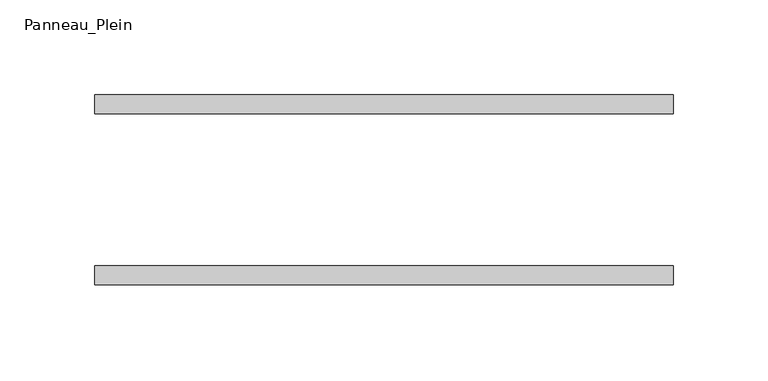
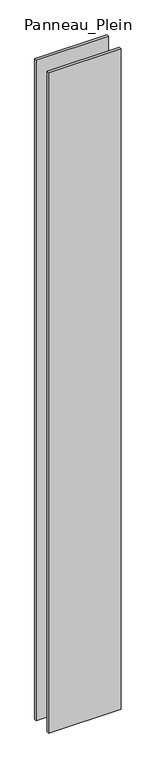
"""IFC4 building model written with IfcOpenShell, lengths in millimetres: plate geometry, Panneau_Plein."""

import ifcopenshell
import ifcopenshell.guid

model = None  # the IFC model being written
_history = None  # IfcOwnerHistory: only IFC2X3 demands one
_inside = {}  # id of a spatial element -> (the spatial element, [elements in it])
_under = {}  # id of a project, library or spatial element -> (it, [spatial elements below it])
_declared = {}  # id of a project -> (the project, [libraries it declares])
_typed = {}  # id of a type object -> (the type object, [elements of that type])
_made_of = {}  # id of a material, layer set ... -> (it, [elements and type objects made of it])


def new_model(schema):
    """Start an empty IFC model of exactly this schema.

    Asked for "IFC4X3", IfcOpenShell would pick the latest addendum, in which some entities
    have other attributes; the version numbers below select the first issue.
    IFC2X3 requires an IfcOwnerHistory on every rooted entity: one is made here for all.
    """
    global model, _history
    if schema == "IFC4X3":
        model = ifcopenshell.file(schema_version=(4, 3, 0, 0))
    else:
        model = ifcopenshell.file(schema=schema)
    _inside.clear()
    _under.clear()
    _declared.clear()
    _typed.clear()
    _made_of.clear()
    _history = None
    if model.schema == "IFC2X3":
        org = make("IfcOrganization", Name="unknown")
        user = make(
            "IfcPersonAndOrganization",
            ThePerson=make("IfcPerson", FamilyName="unknown"),
            TheOrganization=org,
        )
        app = make(
            "IfcApplication",
            ApplicationDeveloper=org,
            Version="unknown",
            ApplicationFullName="unknown",
            ApplicationIdentifier="unknown",
        )
        _history = make(
            "IfcOwnerHistory",
            OwningUser=user,
            OwningApplication=app,
            ChangeAction="ADDED",
            CreationDate=0,
        )
    return model


def make(cls, **values):
    """One entity of the class cls with the attributes given. An attribute that is None is left unset."""
    return model.create_entity(
        cls, **{name: value for name, value in values.items() if value is not None}
    )


def rooted(cls, **values):
    """An entity with a GlobalId (a new one), such as an element, a storey or a relation."""
    return make(cls, GlobalId=ifcopenshell.guid.new(), OwnerHistory=_history, **values)


def si_unit(unit_type, name, prefix=None):
    """IfcSIUnit, for example si_unit("LENGTHUNIT", "METRE", prefix="MILLI")."""
    return make("IfcSIUnit", UnitType=unit_type, Prefix=prefix, Name=name)


def assignment(units):
    """IfcUnitAssignment: the units of a project."""
    return None if units is None else make("IfcUnitAssignment", Units=units)


def point(xyz):
    """IfcCartesianPoint."""
    return None if xyz is None else make("IfcCartesianPoint", Coordinates=xyz)


def direction(xyz):
    """IfcDirection."""
    return None if xyz is None else make("IfcDirection", DirectionRatios=xyz)


def frame(location, z_axis=None, x_axis=None):
    """IfcAxis2Placement3D, a coordinate frame: its origin and axes. An axis left out is left unset."""
    return make(
        "IfcAxis2Placement3D",
        Location=point(location),
        Axis=direction(z_axis),
        RefDirection=direction(x_axis),
    )


def origin():
    """The frame at (0, 0, 0) with its axes left unset."""
    return frame((0.0, 0.0, 0.0))


def origin_with_axes():
    """The frame at (0, 0, 0) with the z axis (0, 0, 1) and the x axis (1, 0, 0) written out."""
    return frame((0.0, 0.0, 0.0), z_axis=(0.0, 0.0, 1.0), x_axis=(1.0, 0.0, 0.0))


def place(relative_to, where):
    """IfcLocalPlacement: puts the frame where relative to a parent placement (None: the world)."""
    return make(
        "IfcLocalPlacement", PlacementRelTo=relative_to, RelativePlacement=where
    )


def context(
    kind, dimensions, precision=None, world=None, true_north=None, identifier=None
):
    """IfcGeometricRepresentationContext, for example the 3D "Model" context."""
    return make(
        "IfcGeometricRepresentationContext",
        ContextIdentifier=identifier,
        ContextType=kind,
        CoordinateSpaceDimension=dimensions,
        Precision=precision,
        WorldCoordinateSystem=world,
        TrueNorth=true_north,
    )


def project(units=None, contexts=None):
    """IfcProject with its units and contexts."""
    return rooted(
        "IfcProject",
        Name="project",
        RepresentationContexts=contexts,
        UnitsInContext=assignment(units),
    )


def spatial(cls, under=None, at=None, **own):
    """A site, building, storey or space (cls), placed at a placement, below another one or the project."""
    s = rooted(cls, ObjectPlacement=at, **own)
    if under is not None:
        _under.setdefault(under.id(), (under, []))[1].append(s)
    return s


def polyline(points):
    """IfcPolyline through the points."""
    return make("IfcPolyline", Points=[point(p) for p in points])


def outline(outer, holes=None, kind="AREA"):
    """IfcArbitraryClosedProfileDef: a profile drawn as a closed curve; with holes, ...WithVoids."""
    if holes is None:
        return make("IfcArbitraryClosedProfileDef", ProfileType=kind, OuterCurve=outer)
    return make(
        "IfcArbitraryProfileDefWithVoids",
        ProfileType=kind,
        OuterCurve=outer,
        InnerCurves=holes,
    )


def extrude(swept, where, along, depth):
    """IfcExtrudedAreaSolid: the profile swept, set in the frame where, extruded along a direction by depth."""
    return make(
        "IfcExtrudedAreaSolid",
        SweptArea=swept,
        Position=where,
        ExtrudedDirection=direction(along),
        Depth=depth,
    )


def shape(context_of_items, identifier, shape_type, items):
    """IfcShapeRepresentation: the items that make up one representation, for example the "Body"."""
    return make(
        "IfcShapeRepresentation",
        ContextOfItems=context_of_items,
        RepresentationIdentifier=identifier,
        RepresentationType=shape_type,
        Items=items,
    )


def source(mapping_origin, context_of_items, identifier, shape_type, items):
    """IfcRepresentationMap: a shape defined once, which mapped items show again and again."""
    return make(
        "IfcRepresentationMap",
        MappingOrigin=mapping_origin,
        MappedRepresentation=shape(context_of_items, identifier, shape_type, items),
    )


def transform(
    local_origin,
    x_axis=None,
    y_axis=None,
    z_axis=None,
    scale=None,
    scale2=None,
    scale3=None,
    uniform=True,
):
    """IfcCartesianTransformationOperator3D, or its non-uniform kind. x_axis, y_axis, z_axis: its Axis1, 2, 3."""
    if uniform:
        return make(
            "IfcCartesianTransformationOperator3D",
            Axis1=direction(x_axis),
            Axis2=direction(y_axis),
            LocalOrigin=point(local_origin),
            Scale=scale,
            Axis3=direction(z_axis),
        )
    return make(
        "IfcCartesianTransformationOperator3DnonUniform",
        Axis1=direction(x_axis),
        Axis2=direction(y_axis),
        LocalOrigin=point(local_origin),
        Scale=scale,
        Axis3=direction(z_axis),
        Scale2=scale2,
        Scale3=scale3,
    )


def mapped(mapping_source, mapping_target):
    """IfcMappedItem: shows the shape of a source again, moved by a transform."""
    return make(
        "IfcMappedItem", MappingSource=mapping_source, MappingTarget=mapping_target
    )


def made_of(thing, what):
    """Note that an element or type object is made of a material, layer set ...; save() writes the relation."""
    if what is not None:
        _made_of.setdefault(what.id(), (what, []))[1].append(thing)
    return thing


def element(
    cls,
    number,
    at=None,
    inside=None,
    cuts=None,
    type_object=None,
    material=None,
    context=None,
    identifier="Body",
    shape_type=None,
    held_by="IfcProductDefinitionShape",
    body=None,
    shapes=None,
    **own,
):
    """One element of the class cls, such as IfcWall. Its Tag is "e" and its number.

    at: its placement. inside: the storey or other place that contains it. cuts: it is an
    opening in that element (IfcRelVoidsElement). A single representation is given by context,
    identifier, shape_type and body (its items); several are given by shapes. held_by: the class
    of the entity that holds the representations. save() writes the other relations.
    """
    e = rooted(cls, Tag="e%d" % number, ObjectPlacement=at, **own)
    if body is not None:
        shapes = [shape(context, identifier, shape_type, body)]
    if shapes is not None:
        e.Representation = make(held_by, Representations=shapes)
    if inside is not None:
        _inside.setdefault(inside.id(), (inside, []))[1].append(e)
    if cuts is not None:
        rooted(
            "IfcRelVoidsElement", RelatingBuildingElement=cuts, RelatedOpeningElement=e
        )
    if type_object is not None:
        _typed.setdefault(type_object.id(), (type_object, []))[1].append(e)
    return made_of(e, material)


def aggregate(whole, parts):
    """IfcRelAggregates: a whole, such as a stair, and the parts it consists of."""
    return rooted("IfcRelAggregates", RelatingObject=whole, RelatedObjects=parts)


def save(model, path):
    """Write the relations noted so far, then the file.

    IfcRelAggregates (storeys below a building ...), IfcRelContainedInSpatialStructure (elements
    in a storey), IfcRelDefinesByType, IfcRelAssociatesMaterial and IfcRelDeclares: one each for
    every whole, place, type object, material and project.
    """
    for whole, parts in _under.values():
        aggregate(whole, parts)
    for where, things in _inside.values():
        rooted(
            "IfcRelContainedInSpatialStructure",
            RelatedElements=things,
            RelatingStructure=where,
        )
    for kind, things in _typed.values():
        rooted("IfcRelDefinesByType", RelatedObjects=things, RelatingType=kind)
    for what, things in _made_of.values():
        rooted("IfcRelAssociatesMaterial", RelatedObjects=things, RelatingMaterial=what)
    for by, libraries in _declared.values():
        rooted("IfcRelDeclares", RelatingContext=by, RelatedDefinitions=libraries)
    model.write(path)


def panneau_plein_3be42767(model_context):
    return source(origin(), model_context, "Body", "SweptSolid", [
        extrude(outline(polyline([(152.2777546, 50.0), (152.2777546, 40.0), (-152.2777546, 40.0), (-152.2777546, 50.0), (152.2777546, 50.0)])), origin_with_axes(), (0.0, 0.0, 1.0), 2930.3804804),
        extrude(outline(polyline([(152.2777546, -40.0), (152.2777546, -50.0), (-152.2777546, -50.0), (-152.2777546, -40.0), (152.2777546, -40.0)])), origin_with_axes(), (0.0, 0.0, 1.0), 2930.3804804),
    ])


if __name__ == "__main__":
    model = new_model("IFC4")
    model_context = context("Model", 3, world=origin())
    ifc_project = project(units=[si_unit("LENGTHUNIT", "METRE", prefix="MILLI")], contexts=[model_context])
    site = spatial("IfcSite", under=ifc_project)
    building = spatial("IfcBuilding", under=site)
    placement = place(None, origin())
    panneau_plein_shape = panneau_plein_3be42767(model_context)
    element("IfcPlate", 1, ObjectType="Panneau_Plein", at=placement, inside=building, context=model_context, shape_type="MappedRepresentation", body=[
        mapped(panneau_plein_shape, transform((0.0, 0.0, 0.0), x_axis=(1.0, 0.0, 0.0), y_axis=(0.0, 1.0, 0.0), z_axis=(0.0, 0.0, 1.0))),
    ])
    save(model, "model.ifc")
